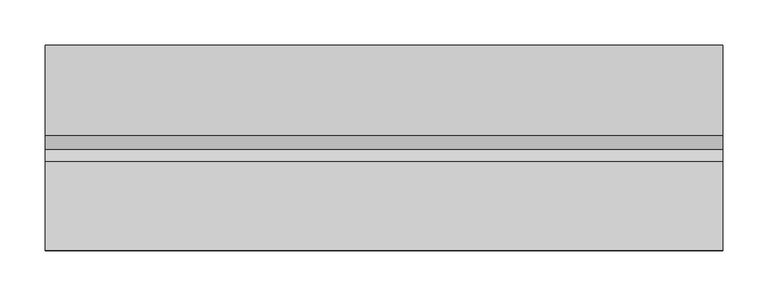
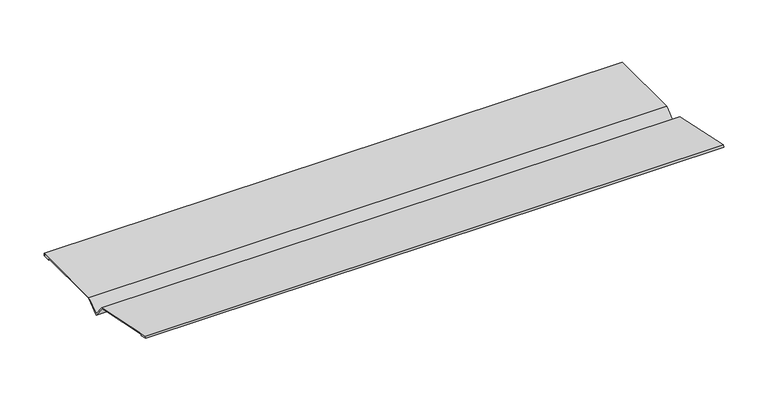
"""IFC4 building model written with IfcOpenShell, lengths in millimetres: proxy geometry."""

import ifcopenshell
import ifcopenshell.guid

model = None  # the IFC model being written
_history = None  # IfcOwnerHistory: only IFC2X3 demands one
_inside = {}  # id of a spatial element -> (the spatial element, [elements in it])
_under = {}  # id of a project, library or spatial element -> (it, [spatial elements below it])
_declared = {}  # id of a project -> (the project, [libraries it declares])
_typed = {}  # id of a type object -> (the type object, [elements of that type])
_made_of = {}  # id of a material, layer set ... -> (it, [elements and type objects made of it])


def new_model(schema):
    """Start an empty IFC model of exactly this schema.

    Asked for "IFC4X3", IfcOpenShell would pick the latest addendum, in which some entities
    have other attributes; the version numbers below select the first issue.
    IFC2X3 requires an IfcOwnerHistory on every rooted entity: one is made here for all.
    """
    global model, _history
    if schema == "IFC4X3":
        model = ifcopenshell.file(schema_version=(4, 3, 0, 0))
    else:
        model = ifcopenshell.file(schema=schema)
    _inside.clear()
    _under.clear()
    _declared.clear()
    _typed.clear()
    _made_of.clear()
    _history = None
    if model.schema == "IFC2X3":
        org = make("IfcOrganization", Name="unknown")
        user = make(
            "IfcPersonAndOrganization",
            ThePerson=make("IfcPerson", FamilyName="unknown"),
            TheOrganization=org,
        )
        app = make(
            "IfcApplication",
            ApplicationDeveloper=org,
            Version="unknown",
            ApplicationFullName="unknown",
            ApplicationIdentifier="unknown",
        )
        _history = make(
            "IfcOwnerHistory",
            OwningUser=user,
            OwningApplication=app,
            ChangeAction="ADDED",
            CreationDate=0,
        )
    return model


def make(cls, **values):
    """One entity of the class cls with the attributes given. An attribute that is None is left unset."""
    return model.create_entity(
        cls, **{name: value for name, value in values.items() if value is not None}
    )


def rooted(cls, **values):
    """An entity with a GlobalId (a new one), such as an element, a storey or a relation."""
    return make(cls, GlobalId=ifcopenshell.guid.new(), OwnerHistory=_history, **values)


def si_unit(unit_type, name, prefix=None):
    """IfcSIUnit, for example si_unit("LENGTHUNIT", "METRE", prefix="MILLI")."""
    return make("IfcSIUnit", UnitType=unit_type, Prefix=prefix, Name=name)


def assignment(units):
    """IfcUnitAssignment: the units of a project."""
    return None if units is None else make("IfcUnitAssignment", Units=units)


def point(xyz):
    """IfcCartesianPoint."""
    return None if xyz is None else make("IfcCartesianPoint", Coordinates=xyz)


def direction(xyz):
    """IfcDirection."""
    return None if xyz is None else make("IfcDirection", DirectionRatios=xyz)


def frame(location, z_axis=None, x_axis=None):
    """IfcAxis2Placement3D, a coordinate frame: its origin and axes. An axis left out is left unset."""
    return make(
        "IfcAxis2Placement3D",
        Location=point(location),
        Axis=direction(z_axis),
        RefDirection=direction(x_axis),
    )


def origin():
    """The frame at (0, 0, 0) with its axes left unset."""
    return frame((0.0, 0.0, 0.0))


def place(relative_to, where):
    """IfcLocalPlacement: puts the frame where relative to a parent placement (None: the world)."""
    return make(
        "IfcLocalPlacement", PlacementRelTo=relative_to, RelativePlacement=where
    )


def context(
    kind, dimensions, precision=None, world=None, true_north=None, identifier=None
):
    """IfcGeometricRepresentationContext, for example the 3D "Model" context."""
    return make(
        "IfcGeometricRepresentationContext",
        ContextIdentifier=identifier,
        ContextType=kind,
        CoordinateSpaceDimension=dimensions,
        Precision=precision,
        WorldCoordinateSystem=world,
        TrueNorth=true_north,
    )


def project(units=None, contexts=None):
    """IfcProject with its units and contexts."""
    return rooted(
        "IfcProject",
        Name="project",
        RepresentationContexts=contexts,
        UnitsInContext=assignment(units),
    )


def spatial(cls, under=None, at=None, **own):
    """A site, building, storey or space (cls), placed at a placement, below another one or the project."""
    s = rooted(cls, ObjectPlacement=at, **own)
    if under is not None:
        _under.setdefault(under.id(), (under, []))[1].append(s)
    return s


def polyline(points):
    """IfcPolyline through the points."""
    return make("IfcPolyline", Points=[point(p) for p in points])


def outline(outer, holes=None, kind="AREA"):
    """IfcArbitraryClosedProfileDef: a profile drawn as a closed curve; with holes, ...WithVoids."""
    if holes is None:
        return make("IfcArbitraryClosedProfileDef", ProfileType=kind, OuterCurve=outer)
    return make(
        "IfcArbitraryProfileDefWithVoids",
        ProfileType=kind,
        OuterCurve=outer,
        InnerCurves=holes,
    )


def extrude(swept, where, along, depth):
    """IfcExtrudedAreaSolid: the profile swept, set in the frame where, extruded along a direction by depth."""
    return make(
        "IfcExtrudedAreaSolid",
        SweptArea=swept,
        Position=where,
        ExtrudedDirection=direction(along),
        Depth=depth,
    )


def shape(context_of_items, identifier, shape_type, items):
    """IfcShapeRepresentation: the items that make up one representation, for example the "Body"."""
    return make(
        "IfcShapeRepresentation",
        ContextOfItems=context_of_items,
        RepresentationIdentifier=identifier,
        RepresentationType=shape_type,
        Items=items,
    )


def source(mapping_origin, context_of_items, identifier, shape_type, items):
    """IfcRepresentationMap: a shape defined once, which mapped items show again and again."""
    return make(
        "IfcRepresentationMap",
        MappingOrigin=mapping_origin,
        MappedRepresentation=shape(context_of_items, identifier, shape_type, items),
    )


def transform(
    local_origin,
    x_axis=None,
    y_axis=None,
    z_axis=None,
    scale=None,
    scale2=None,
    scale3=None,
    uniform=True,
):
    """IfcCartesianTransformationOperator3D, or its non-uniform kind. x_axis, y_axis, z_axis: its Axis1, 2, 3."""
    if uniform:
        return make(
            "IfcCartesianTransformationOperator3D",
            Axis1=direction(x_axis),
            Axis2=direction(y_axis),
            LocalOrigin=point(local_origin),
            Scale=scale,
            Axis3=direction(z_axis),
        )
    return make(
        "IfcCartesianTransformationOperator3DnonUniform",
        Axis1=direction(x_axis),
        Axis2=direction(y_axis),
        LocalOrigin=point(local_origin),
        Scale=scale,
        Axis3=direction(z_axis),
        Scale2=scale2,
        Scale3=scale3,
    )


def mapped(mapping_source, mapping_target):
    """IfcMappedItem: shows the shape of a source again, moved by a transform."""
    return make(
        "IfcMappedItem", MappingSource=mapping_source, MappingTarget=mapping_target
    )


def made_of(thing, what):
    """Note that an element or type object is made of a material, layer set ...; save() writes the relation."""
    if what is not None:
        _made_of.setdefault(what.id(), (what, []))[1].append(thing)
    return thing


def element(
    cls,
    number,
    at=None,
    inside=None,
    cuts=None,
    type_object=None,
    material=None,
    context=None,
    identifier="Body",
    shape_type=None,
    held_by="IfcProductDefinitionShape",
    body=None,
    shapes=None,
    **own,
):
    """One element of the class cls, such as IfcWall. Its Tag is "e" and its number.

    at: its placement. inside: the storey or other place that contains it. cuts: it is an
    opening in that element (IfcRelVoidsElement). A single representation is given by context,
    identifier, shape_type and body (its items); several are given by shapes. held_by: the class
    of the entity that holds the representations. save() writes the other relations.
    """
    e = rooted(cls, Tag="e%d" % number, ObjectPlacement=at, **own)
    if body is not None:
        shapes = [shape(context, identifier, shape_type, body)]
    if shapes is not None:
        e.Representation = make(held_by, Representations=shapes)
    if inside is not None:
        _inside.setdefault(inside.id(), (inside, []))[1].append(e)
    if cuts is not None:
        rooted(
            "IfcRelVoidsElement", RelatingBuildingElement=cuts, RelatedOpeningElement=e
        )
    if type_object is not None:
        _typed.setdefault(type_object.id(), (type_object, []))[1].append(e)
    return made_of(e, material)


def aggregate(whole, parts):
    """IfcRelAggregates: a whole, such as a stair, and the parts it consists of."""
    return rooted("IfcRelAggregates", RelatingObject=whole, RelatedObjects=parts)


def save(model, path):
    """Write the relations noted so far, then the file.

    IfcRelAggregates (storeys below a building ...), IfcRelContainedInSpatialStructure (elements
    in a storey), IfcRelDefinesByType, IfcRelAssociatesMaterial and IfcRelDeclares: one each for
    every whole, place, type object, material and project.
    """
    for whole, parts in _under.values():
        aggregate(whole, parts)
    for where, things in _inside.values():
        rooted(
            "IfcRelContainedInSpatialStructure",
            RelatedElements=things,
            RelatingStructure=where,
        )
    for kind, things in _typed.values():
        rooted("IfcRelDefinesByType", RelatedObjects=things, RelatingType=kind)
    for what, things in _made_of.values():
        rooted("IfcRelAssociatesMaterial", RelatedObjects=things, RelatingMaterial=what)
    for by, libraries in _declared.values():
        rooted("IfcRelDeclares", RelatingContext=by, RelatedDefinitions=libraries)
    model.write(path)


def generic_models_24e38d4b(model_context):
    return source(origin(), model_context, "Body", "SweptSolid", [
        extrude(outline(polyline([(115.4536785, 5.0390189), (115.4536785, 2.0390189), (105.4536785, 2.0390189), (105.4536785, 3.0390189), (114.4536785, 3.0390189), (114.4536785, 4.0390189), (15.8077971, 4.0390189), (-0.5122681, -9.1767093), (-13.9959162, 7.4742094), (-110.4861484, 27.9838414), (-110.6940601, 27.0056938), (-101.8907317, 25.1344886), (-102.0986434, 24.156341), (-111.8801194, 26.2354579), (-111.2563844, 29.1699007), (-13.4416243, 8.3787316), (-0.3644425, -7.7702429), (15.4536785, 5.0390189), (115.4536785, 5.0390189)])), frame((0.0, 0.0, 0.0), z_axis=(1.0, 0.0, 0.0), x_axis=(0.0, 1.0, 0.0)), (0.0, 0.0, 1.0), 750.0),
    ])


if __name__ == "__main__":
    model = new_model("IFC4")
    model_context = context("Model", 3, world=origin())
    ifc_project = project(units=[si_unit("LENGTHUNIT", "METRE", prefix="MILLI")], contexts=[model_context])
    site = spatial("IfcSite", under=ifc_project)
    building = spatial("IfcBuilding", under=site)
    placement = place(None, origin())
    generic_models_shape = generic_models_24e38d4b(model_context)
    element("IfcBuildingElementProxy", 1, Name="Generic Models", at=placement, inside=building, context=model_context, shape_type="MappedRepresentation", body=[
        mapped(generic_models_shape, transform((0.0, 0.0, 0.0), x_axis=(1.0, 0.0, 0.0), y_axis=(0.0, 1.0, 0.0), z_axis=(0.0, 0.0, 1.0))),
    ])
    save(model, "model.ifc")
